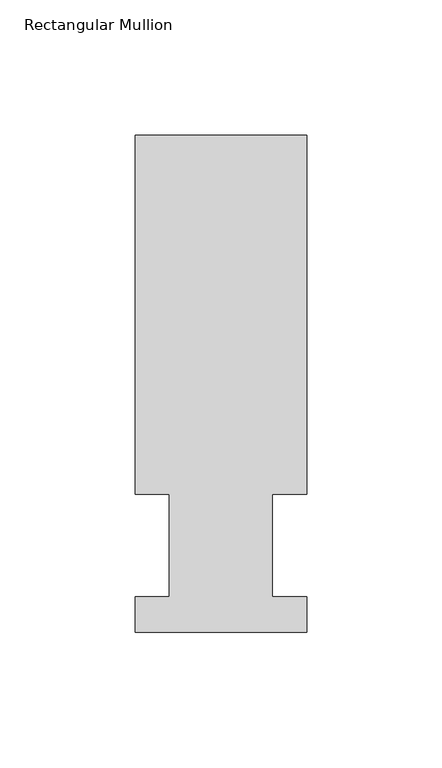
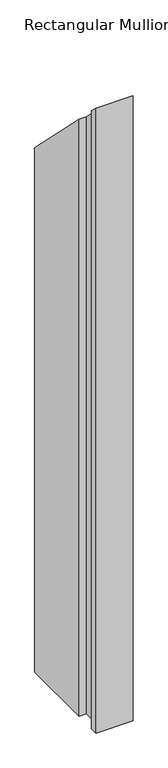
"""IFC4 building model written with IfcOpenShell, lengths in millimetres: member geometry, Rectangular Mullion."""

from ifc_helpers import new_model, si_unit, origin, place, context, project, spatial, faceted_brep, source, transform, mapped, element, save


def rectangular_mullion_154d6e6d(model_context):
    return source(origin(), model_context, "Body", "Brep", [
        faceted_brep([(0.0, 184.2396937, -1143.0134937), (0.0, 51.2960938, -1143.0134937), (-12.6873001, 51.2960938, -1143.0134937), (-12.6873001, 13.1960938, -1143.0134937), (0.0, 13.1960938, -1143.0134937), (0.0, 0.0134938, -1143.0134937), (-63.5000001, 0.0134938, -1143.0134937), (-63.5000001, 13.1960938, -1143.0134937), (-50.8127001, 13.1960938, -1143.0134937), (-50.8127001, 51.2960938, -1143.0134937), (-63.5127, 51.2960938, -1143.0134937), (-63.5127, 184.2396938, -1143.0134937), (0.0, 184.2396937, -184.2396937), (0.0, 51.2960938, -51.2960938), (-12.6873001, 51.2960938, -51.2960938), (-12.6873001, 13.1960938, -13.1960938), (0.0, 13.1960938, -13.1960938), (0.0, 0.0134938, -0.0134938), (-63.5000001, 0.0134938, -0.0134938), (-63.5000001, 13.1960938, -13.1960938), (-50.8127001, 13.1960938, -13.1960938), (-50.8127001, 51.2960938, -51.2960938), (-63.5127, 51.2960938, -51.2960938), (-63.5127, 184.2396938, -184.2396938)], [[[0, 1, 2, 3, 4, 5, 6, 7, 8, 9, 10, 11]], [[12, 13, 1, 0]], [[13, 14, 2, 1]], [[14, 15, 3, 2]], [[15, 16, 4, 3]], [[16, 17, 5, 4]], [[17, 18, 6, 5]], [[18, 19, 7, 6]], [[19, 20, 8, 7]], [[20, 21, 9, 8]], [[21, 22, 10, 9]], [[22, 23, 11, 10]], [[23, 12, 0, 11]], [[12, 23, 22, 21, 20, 19, 18, 17, 16, 15, 14, 13]]]),
    ])


if __name__ == "__main__":
    model = new_model("IFC4")
    model_context = context("Model", 3, world=origin())
    ifc_project = project(units=[si_unit("LENGTHUNIT", "METRE", prefix="MILLI")], contexts=[model_context])
    site = spatial("IfcSite", under=ifc_project)
    building = spatial("IfcBuilding", under=site)
    placement = place(None, origin())
    rectangular_mullion_shape = rectangular_mullion_154d6e6d(model_context)
    element("IfcMember", 1, ObjectType="Rectangular Mullion", at=placement, inside=building, context=model_context, shape_type="MappedRepresentation", body=[
        mapped(rectangular_mullion_shape, transform((0.0, 0.0, 0.0), x_axis=(1.0, 0.0, 0.0), y_axis=(0.0, 1.0, 0.0), z_axis=(0.0, 0.0, 1.0))),
    ])
    save(model, "model.ifc")
